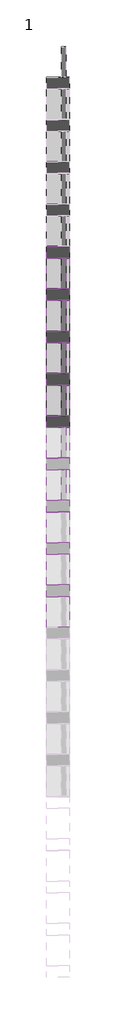
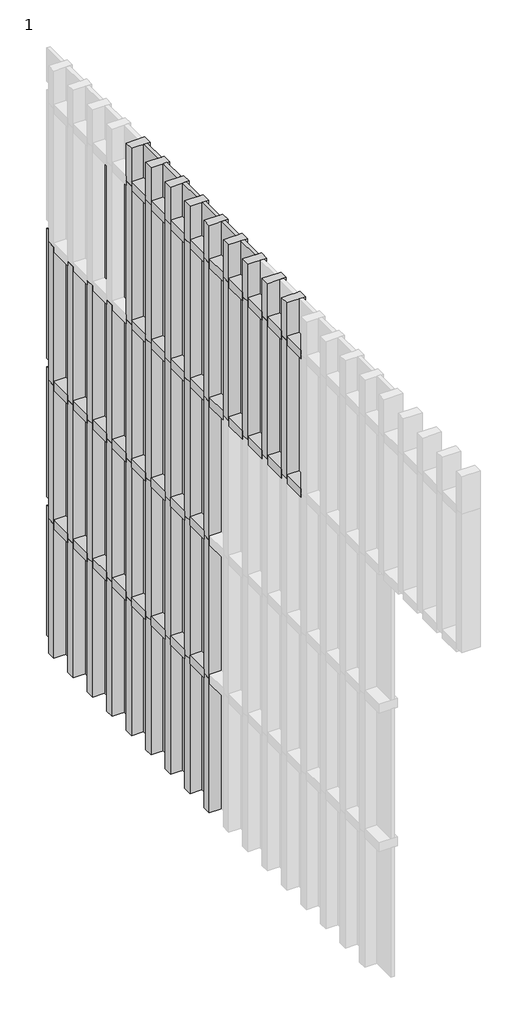
# One storey, part 7 of 40: 79 members, 39 plates.
"""IFC4 building model written with IfcOpenShell, lengths in millimetres."""

import ifcopenshell
import ifcopenshell.guid

model = None  # the IFC model being written
_history = None  # IfcOwnerHistory: only IFC2X3 demands one
_inside = {}  # id of a spatial element -> (the spatial element, [elements in it])
_under = {}  # id of a project, library or spatial element -> (it, [spatial elements below it])
_declared = {}  # id of a project -> (the project, [libraries it declares])
_typed = {}  # id of a type object -> (the type object, [elements of that type])
_made_of = {}  # id of a material, layer set ... -> (it, [elements and type objects made of it])


def new_model(schema):
    """Start an empty IFC model of exactly this schema.

    Asked for "IFC4X3", IfcOpenShell would pick the latest addendum, in which some entities
    have other attributes; the version numbers below select the first issue.
    IFC2X3 requires an IfcOwnerHistory on every rooted entity: one is made here for all.
    """
    global model, _history
    if schema == "IFC4X3":
        model = ifcopenshell.file(schema_version=(4, 3, 0, 0))
    else:
        model = ifcopenshell.file(schema=schema)
    _inside.clear()
    _under.clear()
    _declared.clear()
    _typed.clear()
    _made_of.clear()
    _history = None
    if model.schema == "IFC2X3":
        org = make("IfcOrganization", Name="unknown")
        user = make(
            "IfcPersonAndOrganization",
            ThePerson=make("IfcPerson", FamilyName="unknown"),
            TheOrganization=org,
        )
        app = make(
            "IfcApplication",
            ApplicationDeveloper=org,
            Version="unknown",
            ApplicationFullName="unknown",
            ApplicationIdentifier="unknown",
        )
        _history = make(
            "IfcOwnerHistory",
            OwningUser=user,
            OwningApplication=app,
            ChangeAction="ADDED",
            CreationDate=0,
        )
    return model


def make(cls, **values):
    """One entity of the class cls with the attributes given. An attribute that is None is left unset."""
    return model.create_entity(
        cls, **{name: value for name, value in values.items() if value is not None}
    )


def rooted(cls, **values):
    """An entity with a GlobalId (a new one), such as an element, a storey or a relation."""
    return make(cls, GlobalId=ifcopenshell.guid.new(), OwnerHistory=_history, **values)


def si_unit(unit_type, name, prefix=None):
    """IfcSIUnit, for example si_unit("LENGTHUNIT", "METRE", prefix="MILLI")."""
    return make("IfcSIUnit", UnitType=unit_type, Prefix=prefix, Name=name)


def assignment(units):
    """IfcUnitAssignment: the units of a project."""
    return None if units is None else make("IfcUnitAssignment", Units=units)


def point(xyz):
    """IfcCartesianPoint."""
    return None if xyz is None else make("IfcCartesianPoint", Coordinates=xyz)


def direction(xyz):
    """IfcDirection."""
    return None if xyz is None else make("IfcDirection", DirectionRatios=xyz)


def frame(location, z_axis=None, x_axis=None):
    """IfcAxis2Placement3D, a coordinate frame: its origin and axes. An axis left out is left unset."""
    return make(
        "IfcAxis2Placement3D",
        Location=point(location),
        Axis=direction(z_axis),
        RefDirection=direction(x_axis),
    )


def origin():
    """The frame at (0, 0, 0) with its axes left unset."""
    return frame((0.0, 0.0, 0.0))


def origin_with_axes():
    """The frame at (0, 0, 0) with the z axis (0, 0, 1) and the x axis (1, 0, 0) written out."""
    return frame((0.0, 0.0, 0.0), z_axis=(0.0, 0.0, 1.0), x_axis=(1.0, 0.0, 0.0))


def place(relative_to, where):
    """IfcLocalPlacement: puts the frame where relative to a parent placement (None: the world)."""
    return make(
        "IfcLocalPlacement", PlacementRelTo=relative_to, RelativePlacement=where
    )


def context(
    kind, dimensions, precision=None, world=None, true_north=None, identifier=None
):
    """IfcGeometricRepresentationContext, for example the 3D "Model" context."""
    return make(
        "IfcGeometricRepresentationContext",
        ContextIdentifier=identifier,
        ContextType=kind,
        CoordinateSpaceDimension=dimensions,
        Precision=precision,
        WorldCoordinateSystem=world,
        TrueNorth=true_north,
    )


def project(units=None, contexts=None):
    """IfcProject with its units and contexts."""
    return rooted(
        "IfcProject",
        Name="project",
        RepresentationContexts=contexts,
        UnitsInContext=assignment(units),
    )


def spatial(cls, under=None, at=None, **own):
    """A site, building, storey or space (cls), placed at a placement, below another one or the project."""
    s = rooted(cls, ObjectPlacement=at, **own)
    if under is not None:
        _under.setdefault(under.id(), (under, []))[1].append(s)
    return s


def polyline(points):
    """IfcPolyline through the points."""
    return make("IfcPolyline", Points=[point(p) for p in points])


def outline(outer, holes=None, kind="AREA"):
    """IfcArbitraryClosedProfileDef: a profile drawn as a closed curve; with holes, ...WithVoids."""
    if holes is None:
        return make("IfcArbitraryClosedProfileDef", ProfileType=kind, OuterCurve=outer)
    return make(
        "IfcArbitraryProfileDefWithVoids",
        ProfileType=kind,
        OuterCurve=outer,
        InnerCurves=holes,
    )


def extrude(swept, where, along, depth):
    """IfcExtrudedAreaSolid: the profile swept, set in the frame where, extruded along a direction by depth."""
    return make(
        "IfcExtrudedAreaSolid",
        SweptArea=swept,
        Position=where,
        ExtrudedDirection=direction(along),
        Depth=depth,
    )


def shape(context_of_items, identifier, shape_type, items):
    """IfcShapeRepresentation: the items that make up one representation, for example the "Body"."""
    return make(
        "IfcShapeRepresentation",
        ContextOfItems=context_of_items,
        RepresentationIdentifier=identifier,
        RepresentationType=shape_type,
        Items=items,
    )


def source(mapping_origin, context_of_items, identifier, shape_type, items):
    """IfcRepresentationMap: a shape defined once, which mapped items show again and again."""
    return make(
        "IfcRepresentationMap",
        MappingOrigin=mapping_origin,
        MappedRepresentation=shape(context_of_items, identifier, shape_type, items),
    )


def transform(
    local_origin,
    x_axis=None,
    y_axis=None,
    z_axis=None,
    scale=None,
    scale2=None,
    scale3=None,
    uniform=True,
):
    """IfcCartesianTransformationOperator3D, or its non-uniform kind. x_axis, y_axis, z_axis: its Axis1, 2, 3."""
    if uniform:
        return make(
            "IfcCartesianTransformationOperator3D",
            Axis1=direction(x_axis),
            Axis2=direction(y_axis),
            LocalOrigin=point(local_origin),
            Scale=scale,
            Axis3=direction(z_axis),
        )
    return make(
        "IfcCartesianTransformationOperator3DnonUniform",
        Axis1=direction(x_axis),
        Axis2=direction(y_axis),
        LocalOrigin=point(local_origin),
        Scale=scale,
        Axis3=direction(z_axis),
        Scale2=scale2,
        Scale3=scale3,
    )


def mapped(mapping_source, mapping_target):
    """IfcMappedItem: shows the shape of a source again, moved by a transform."""
    return make(
        "IfcMappedItem", MappingSource=mapping_source, MappingTarget=mapping_target
    )


def made_of(thing, what):
    """Note that an element or type object is made of a material, layer set ...; save() writes the relation."""
    if what is not None:
        _made_of.setdefault(what.id(), (what, []))[1].append(thing)
    return thing


def element(
    cls,
    number,
    at=None,
    inside=None,
    cuts=None,
    type_object=None,
    material=None,
    context=None,
    identifier="Body",
    shape_type=None,
    held_by="IfcProductDefinitionShape",
    body=None,
    shapes=None,
    **own,
):
    """One element of the class cls, such as IfcWall. Its Tag is "e" and its number.

    at: its placement. inside: the storey or other place that contains it. cuts: it is an
    opening in that element (IfcRelVoidsElement). A single representation is given by context,
    identifier, shape_type and body (its items); several are given by shapes. held_by: the class
    of the entity that holds the representations. save() writes the other relations.
    """
    e = rooted(cls, Tag="e%d" % number, ObjectPlacement=at, **own)
    if body is not None:
        shapes = [shape(context, identifier, shape_type, body)]
    if shapes is not None:
        e.Representation = make(held_by, Representations=shapes)
    if inside is not None:
        _inside.setdefault(inside.id(), (inside, []))[1].append(e)
    if cuts is not None:
        rooted(
            "IfcRelVoidsElement", RelatingBuildingElement=cuts, RelatedOpeningElement=e
        )
    if type_object is not None:
        _typed.setdefault(type_object.id(), (type_object, []))[1].append(e)
    return made_of(e, material)


def aggregate(whole, parts):
    """IfcRelAggregates: a whole, such as a stair, and the parts it consists of."""
    return rooted("IfcRelAggregates", RelatingObject=whole, RelatedObjects=parts)


def save(model, path):
    """Write the relations noted so far, then the file.

    IfcRelAggregates (storeys below a building ...), IfcRelContainedInSpatialStructure (elements
    in a storey), IfcRelDefinesByType, IfcRelAssociatesMaterial and IfcRelDeclares: one each for
    every whole, place, type object, material and project.
    """
    for whole, parts in _under.values():
        aggregate(whole, parts)
    for where, things in _inside.values():
        rooted(
            "IfcRelContainedInSpatialStructure",
            RelatedElements=things,
            RelatingStructure=where,
        )
    for kind, things in _typed.values():
        rooted("IfcRelDefinesByType", RelatedObjects=things, RelatingType=kind)
    for what, things in _made_of.values():
        rooted("IfcRelAssociatesMaterial", RelatedObjects=things, RelatingMaterial=what)
    for by, libraries in _declared.values():
        rooted("IfcRelDeclares", RelatingContext=by, RelatedDefinitions=libraries)
    model.write(path)


def rectangular_mullion_rectangular_mullion_1_018ae7aa(model_context):
    return source(origin(), model_context, "Body", "SweptSolid", [
        extrude(outline(polyline([(31.75, 63.5), (31.75, -63.5), (-31.75, -63.5), (-31.75, 63.5), (31.75, 63.5)])), frame((0.0, 0.0, -166.5), z_axis=(0.0, 0.0, 1.0), x_axis=(1.0, 0.0, 0.0)), (0.0, 0.0, 1.0), 166.5),
    ])


def rectangular_mullion_rectangular_mullion_1_43f49249(model_context):
    return source(origin(), model_context, "Body", "SweptSolid", [
        extrude(outline(polyline([(31.75, 63.5), (31.75, -63.5), (-31.75, -63.5), (-31.75, 63.5), (31.75, 63.5)])), frame((0.0, 0.0, -968.25), z_axis=(0.0, 0.0, 1.0), x_axis=(1.0, 0.0, 0.0)), (0.0, 0.0, 1.0), 968.25),
    ])


def rectangular_mullion_rectangular_mullion_1_0daabb75(model_context):
    return source(origin(), model_context, "Body", "SweptSolid", [
        extrude(outline(polyline([(31.75, 63.5), (31.75, -63.5), (-31.75, -63.5), (-31.75, 63.5), (31.75, 63.5)])), frame((0.0, 0.0, -1000.0), z_axis=(0.0, 0.0, 1.0), x_axis=(1.0, 0.0, 0.0)), (0.0, 0.0, 1.0), 1000.0),
    ])


def rectangular_mullion_rectangular_mullion_1_7425881c(model_context):
    return source(origin(), model_context, "Body", "SweptSolid", [
        extrude(outline(polyline([(31.75, 63.5), (31.75, -63.5), (-31.75, -63.5), (-31.75, 63.5), (31.75, 63.5)])), frame((0.0, 0.0, -271.75), z_axis=(0.0, 0.0, 1.0), x_axis=(1.0, 0.0, 0.0)), (0.0, 0.0, 1.0), 271.75),
    ])


def system_panel_glazed_637935cf(model_context):
    return source(origin(), model_context, "Body", "SweptSolid", [
        extrude(outline(polyline([(83.25, -44.45), (-83.25, -44.45), (-83.25, -19.05), (83.25, -19.05), (83.25, -44.45)])), origin_with_axes(), (0.0, 0.0, 1.0), 936.5),
    ])


def system_panel_glazed_3e05323c(model_context):
    return source(origin(), model_context, "Body", "SweptSolid", [
        extrude(outline(polyline([(83.25, -44.45), (-83.25, -44.45), (-83.25, -19.05), (83.25, -19.05), (83.25, -44.45)])), origin_with_axes(), (0.0, 0.0, 1.0), 240.0),
    ])


model = new_model("IFC4")

# Units and contexts
model_context = context("Model", 3, world=origin())
ifc_project = project(units=[si_unit("LENGTHUNIT", "METRE", prefix="MILLI")], contexts=[model_context])

# Site, building, storey
site = spatial("IfcSite", under=ifc_project)
building = spatial("IfcBuilding", under=site)
storey = spatial("IfcBuildingStorey", under=building, Name="1", Elevation=3600.0)

# Members
placement = place(None, origin())
rectangular_mullion_rectangular_mullion_1_shape = rectangular_mullion_rectangular_mullion_1_018ae7aa(model_context)
element("IfcMember", 1, ObjectType="Rectangular Mullion : Rectangular Mullion 1", at=placement, inside=storey, context=model_context, shape_type="MappedRepresentation", body=[
    mapped(rectangular_mullion_rectangular_mullion_1_shape, transform((8762.3871269, -17796.5554662, 3568.25), x_axis=(0.0, 0.0, 1.0), y_axis=(1.0, 0.0, 0.0), z_axis=(0.0, 1.0, 0.0))),
])
element("IfcMember", 2, ObjectType="Rectangular Mullion : Rectangular Mullion 1", at=placement, inside=storey, context=model_context, shape_type="MappedRepresentation", body=[
    mapped(rectangular_mullion_rectangular_mullion_1_shape, transform((8762.3871269, -17566.5554662, 3568.25), x_axis=(0.0, 0.0, 1.0), y_axis=(1.0, 0.0, 0.0), z_axis=(0.0, 1.0, 0.0))),
])
element("IfcMember", 3, ObjectType="Rectangular Mullion : Rectangular Mullion 1", at=placement, inside=storey, context=model_context, shape_type="MappedRepresentation", body=[
    mapped(rectangular_mullion_rectangular_mullion_1_shape, transform((8762.3871269, -17336.5554662, 3568.25), x_axis=(0.0, 0.0, 1.0), y_axis=(1.0, 0.0, 0.0), z_axis=(0.0, 1.0, 0.0))),
])
element("IfcMember", 4, ObjectType="Rectangular Mullion : Rectangular Mullion 1", at=placement, inside=storey, context=model_context, shape_type="MappedRepresentation", body=[
    mapped(rectangular_mullion_rectangular_mullion_1_shape, transform((8762.3871269, -17106.5554662, 3568.25), x_axis=(0.0, 0.0, 1.0), y_axis=(1.0, 0.0, 0.0), z_axis=(0.0, 1.0, 0.0))),
])
element("IfcMember", 5, ObjectType="Rectangular Mullion : Rectangular Mullion 1", at=placement, inside=storey, context=model_context, shape_type="MappedRepresentation", body=[
    mapped(rectangular_mullion_rectangular_mullion_1_shape, transform((8762.3871269, -16876.5554662, 3568.25), x_axis=(0.0, 0.0, 1.0), y_axis=(1.0, 0.0, 0.0), z_axis=(0.0, 1.0, 0.0))),
])
element("IfcMember", 6, ObjectType="Rectangular Mullion : Rectangular Mullion 1", at=placement, inside=storey, context=model_context, shape_type="MappedRepresentation", body=[
    mapped(rectangular_mullion_rectangular_mullion_1_shape, transform((8762.3871269, -16646.5554662, 3568.25), x_axis=(0.0, 0.0, 1.0), y_axis=(1.0, 0.0, 0.0), z_axis=(0.0, 1.0, 0.0))),
])
element("IfcMember", 7, ObjectType="Rectangular Mullion : Rectangular Mullion 1", at=placement, inside=storey, context=model_context, shape_type="MappedRepresentation", body=[
    mapped(rectangular_mullion_rectangular_mullion_1_shape, transform((8762.3871269, -16416.5554662, 3568.25), x_axis=(0.0, 0.0, 1.0), y_axis=(1.0, 0.0, 0.0), z_axis=(0.0, 1.0, 0.0))),
])
element("IfcMember", 8, ObjectType="Rectangular Mullion : Rectangular Mullion 1", at=placement, inside=storey, context=model_context, shape_type="MappedRepresentation", body=[
    mapped(rectangular_mullion_rectangular_mullion_1_shape, transform((8762.3871269, -16186.5554662, 3568.25), x_axis=(0.0, 0.0, 1.0), y_axis=(1.0, 0.0, 0.0), z_axis=(0.0, 1.0, 0.0))),
])
element("IfcMember", 9, ObjectType="Rectangular Mullion : Rectangular Mullion 1", at=placement, inside=storey, context=model_context, shape_type="MappedRepresentation", body=[
    mapped(rectangular_mullion_rectangular_mullion_1_shape, transform((8762.3871269, -17796.5554662, 4568.25), x_axis=(0.0, 0.0, 1.0), y_axis=(1.0, 0.0, 0.0), z_axis=(0.0, 1.0, 0.0))),
])
element("IfcMember", 10, ObjectType="Rectangular Mullion : Rectangular Mullion 1", at=placement, inside=storey, context=model_context, shape_type="MappedRepresentation", body=[
    mapped(rectangular_mullion_rectangular_mullion_1_shape, transform((8762.3871269, -17566.5554662, 4568.25), x_axis=(0.0, 0.0, 1.0), y_axis=(1.0, 0.0, 0.0), z_axis=(0.0, 1.0, 0.0))),
])
element("IfcMember", 11, ObjectType="Rectangular Mullion : Rectangular Mullion 1", at=placement, inside=storey, context=model_context, shape_type="MappedRepresentation", body=[
    mapped(rectangular_mullion_rectangular_mullion_1_shape, transform((8762.3871269, -17336.5554662, 4568.25), x_axis=(0.0, 0.0, 1.0), y_axis=(1.0, 0.0, 0.0), z_axis=(0.0, 1.0, 0.0))),
])
element("IfcMember", 12, ObjectType="Rectangular Mullion : Rectangular Mullion 1", at=placement, inside=storey, context=model_context, shape_type="MappedRepresentation", body=[
    mapped(rectangular_mullion_rectangular_mullion_1_shape, transform((8762.3871269, -17106.5554662, 4568.25), x_axis=(0.0, 0.0, 1.0), y_axis=(1.0, 0.0, 0.0), z_axis=(0.0, 1.0, 0.0))),
])
element("IfcMember", 13, ObjectType="Rectangular Mullion : Rectangular Mullion 1", at=placement, inside=storey, context=model_context, shape_type="MappedRepresentation", body=[
    mapped(rectangular_mullion_rectangular_mullion_1_shape, transform((8762.3871269, -16876.5554662, 4568.25), x_axis=(0.0, 0.0, 1.0), y_axis=(1.0, 0.0, 0.0), z_axis=(0.0, 1.0, 0.0))),
])
element("IfcMember", 14, ObjectType="Rectangular Mullion : Rectangular Mullion 1", at=placement, inside=storey, context=model_context, shape_type="MappedRepresentation", body=[
    mapped(rectangular_mullion_rectangular_mullion_1_shape, transform((8762.3871269, -16646.5554662, 4568.25), x_axis=(0.0, 0.0, 1.0), y_axis=(1.0, 0.0, 0.0), z_axis=(0.0, 1.0, 0.0))),
])
element("IfcMember", 15, ObjectType="Rectangular Mullion : Rectangular Mullion 1", at=placement, inside=storey, context=model_context, shape_type="MappedRepresentation", body=[
    mapped(rectangular_mullion_rectangular_mullion_1_shape, transform((8762.3871269, -16416.5554662, 4568.25), x_axis=(0.0, 0.0, 1.0), y_axis=(1.0, 0.0, 0.0), z_axis=(0.0, 1.0, 0.0))),
])
element("IfcMember", 16, ObjectType="Rectangular Mullion : Rectangular Mullion 1", at=placement, inside=storey, context=model_context, shape_type="MappedRepresentation", body=[
    mapped(rectangular_mullion_rectangular_mullion_1_shape, transform((8762.3871269, -16186.5554662, 4568.25), x_axis=(0.0, 0.0, 1.0), y_axis=(1.0, 0.0, 0.0), z_axis=(0.0, 1.0, 0.0))),
])
element("IfcMember", 17, ObjectType="Rectangular Mullion : Rectangular Mullion 1", at=placement, inside=storey, context=model_context, shape_type="MappedRepresentation", body=[
    mapped(rectangular_mullion_rectangular_mullion_1_shape, transform((8762.3871269, -18946.5554662, 5568.25), x_axis=(0.0, 0.0, 1.0), y_axis=(1.0, 0.0, 0.0), z_axis=(0.0, 1.0, 0.0))),
])
element("IfcMember", 18, ObjectType="Rectangular Mullion : Rectangular Mullion 1", at=placement, inside=storey, context=model_context, shape_type="MappedRepresentation", body=[
    mapped(rectangular_mullion_rectangular_mullion_1_shape, transform((8762.3871269, -18716.5554662, 5568.25), x_axis=(0.0, 0.0, 1.0), y_axis=(1.0, 0.0, 0.0), z_axis=(0.0, 1.0, 0.0))),
])
element("IfcMember", 19, ObjectType="Rectangular Mullion : Rectangular Mullion 1", at=placement, inside=storey, context=model_context, shape_type="MappedRepresentation", body=[
    mapped(rectangular_mullion_rectangular_mullion_1_shape, transform((8762.3871269, -18486.5554662, 5568.25), x_axis=(0.0, 0.0, 1.0), y_axis=(1.0, 0.0, 0.0), z_axis=(0.0, 1.0, 0.0))),
])
element("IfcMember", 20, ObjectType="Rectangular Mullion : Rectangular Mullion 1", at=placement, inside=storey, context=model_context, shape_type="MappedRepresentation", body=[
    mapped(rectangular_mullion_rectangular_mullion_1_shape, transform((8762.3871269, -18256.5554662, 5568.25), x_axis=(0.0, 0.0, 1.0), y_axis=(1.0, 0.0, 0.0), z_axis=(0.0, 1.0, 0.0))),
])
element("IfcMember", 21, ObjectType="Rectangular Mullion : Rectangular Mullion 1", at=placement, inside=storey, context=model_context, shape_type="MappedRepresentation", body=[
    mapped(rectangular_mullion_rectangular_mullion_1_shape, transform((8762.3871269, -18026.5554662, 5568.25), x_axis=(0.0, 0.0, 1.0), y_axis=(1.0, 0.0, 0.0), z_axis=(0.0, 1.0, 0.0))),
])
element("IfcMember", 22, ObjectType="Rectangular Mullion : Rectangular Mullion 1", at=placement, inside=storey, context=model_context, shape_type="MappedRepresentation", body=[
    mapped(rectangular_mullion_rectangular_mullion_1_shape, transform((8762.3871269, -17796.5554662, 5568.25), x_axis=(0.0, 0.0, 1.0), y_axis=(1.0, 0.0, 0.0), z_axis=(0.0, 1.0, 0.0))),
])
element("IfcMember", 23, ObjectType="Rectangular Mullion : Rectangular Mullion 1", at=placement, inside=storey, context=model_context, shape_type="MappedRepresentation", body=[
    mapped(rectangular_mullion_rectangular_mullion_1_shape, transform((8762.3871269, -17566.5554662, 5568.25), x_axis=(0.0, 0.0, 1.0), y_axis=(1.0, 0.0, 0.0), z_axis=(0.0, 1.0, 0.0))),
])
element("IfcMember", 24, ObjectType="Rectangular Mullion : Rectangular Mullion 1", at=placement, inside=storey, context=model_context, shape_type="MappedRepresentation", body=[
    mapped(rectangular_mullion_rectangular_mullion_1_shape, transform((8762.3871269, -17336.5554662, 5568.25), x_axis=(0.0, 0.0, 1.0), y_axis=(1.0, 0.0, 0.0), z_axis=(0.0, 1.0, 0.0))),
])
element("IfcMember", 25, ObjectType="Rectangular Mullion : Rectangular Mullion 1", at=placement, inside=storey, context=model_context, shape_type="MappedRepresentation", body=[
    mapped(rectangular_mullion_rectangular_mullion_1_shape, transform((8762.3871269, -17106.5554662, 5568.25), x_axis=(0.0, 0.0, 1.0), y_axis=(1.0, 0.0, 0.0), z_axis=(0.0, 1.0, 0.0))),
])
element("IfcMember", 26, ObjectType="Rectangular Mullion : Rectangular Mullion 1", at=placement, inside=storey, context=model_context, shape_type="MappedRepresentation", body=[
    mapped(rectangular_mullion_rectangular_mullion_1_shape, transform((8762.3871269, -18946.5554662, 6568.25), x_axis=(0.0, 0.0, 1.0), y_axis=(1.0, 0.0, 0.0), z_axis=(0.0, 1.0, 0.0))),
])
element("IfcMember", 27, ObjectType="Rectangular Mullion : Rectangular Mullion 1", at=placement, inside=storey, context=model_context, shape_type="MappedRepresentation", body=[
    mapped(rectangular_mullion_rectangular_mullion_1_shape, transform((8762.3871269, -18716.5554662, 6568.25), x_axis=(0.0, 0.0, 1.0), y_axis=(1.0, 0.0, 0.0), z_axis=(0.0, 1.0, 0.0))),
])
element("IfcMember", 28, ObjectType="Rectangular Mullion : Rectangular Mullion 1", at=placement, inside=storey, context=model_context, shape_type="MappedRepresentation", body=[
    mapped(rectangular_mullion_rectangular_mullion_1_shape, transform((8762.3871269, -18486.5554662, 6568.25), x_axis=(0.0, 0.0, 1.0), y_axis=(1.0, 0.0, 0.0), z_axis=(0.0, 1.0, 0.0))),
])
element("IfcMember", 29, ObjectType="Rectangular Mullion : Rectangular Mullion 1", at=placement, inside=storey, context=model_context, shape_type="MappedRepresentation", body=[
    mapped(rectangular_mullion_rectangular_mullion_1_shape, transform((8762.3871269, -18256.5554662, 6568.25), x_axis=(0.0, 0.0, 1.0), y_axis=(1.0, 0.0, 0.0), z_axis=(0.0, 1.0, 0.0))),
])
element("IfcMember", 30, ObjectType="Rectangular Mullion : Rectangular Mullion 1", at=placement, inside=storey, context=model_context, shape_type="MappedRepresentation", body=[
    mapped(rectangular_mullion_rectangular_mullion_1_shape, transform((8762.3871269, -18026.5554662, 6568.25), x_axis=(0.0, 0.0, 1.0), y_axis=(1.0, 0.0, 0.0), z_axis=(0.0, 1.0, 0.0))),
])
element("IfcMember", 31, ObjectType="Rectangular Mullion : Rectangular Mullion 1", at=placement, inside=storey, context=model_context, shape_type="MappedRepresentation", body=[
    mapped(rectangular_mullion_rectangular_mullion_1_shape, transform((8762.3871269, -17796.5554662, 6568.25), x_axis=(0.0, 0.0, 1.0), y_axis=(1.0, 0.0, 0.0), z_axis=(0.0, 1.0, 0.0))),
])
element("IfcMember", 32, ObjectType="Rectangular Mullion : Rectangular Mullion 1", at=placement, inside=storey, context=model_context, shape_type="MappedRepresentation", body=[
    mapped(rectangular_mullion_rectangular_mullion_1_shape, transform((8762.3871269, -17566.5554662, 6568.25), x_axis=(0.0, 0.0, 1.0), y_axis=(1.0, 0.0, 0.0), z_axis=(0.0, 1.0, 0.0))),
])
element("IfcMember", 33, ObjectType="Rectangular Mullion : Rectangular Mullion 1", at=placement, inside=storey, context=model_context, shape_type="MappedRepresentation", body=[
    mapped(rectangular_mullion_rectangular_mullion_1_shape, transform((8762.3871269, -17336.5554662, 6568.25), x_axis=(0.0, 0.0, 1.0), y_axis=(1.0, 0.0, 0.0), z_axis=(0.0, 1.0, 0.0))),
])
element("IfcMember", 34, ObjectType="Rectangular Mullion : Rectangular Mullion 1", at=placement, inside=storey, context=model_context, shape_type="MappedRepresentation", body=[
    mapped(rectangular_mullion_rectangular_mullion_1_shape, transform((8762.3871269, -17106.5554662, 6568.25), x_axis=(0.0, 0.0, 1.0), y_axis=(1.0, 0.0, 0.0), z_axis=(0.0, 1.0, 0.0))),
])
rectangular_mullion_rectangular_mullion_1_2_shape = rectangular_mullion_rectangular_mullion_1_43f49249(model_context)
element("IfcMember", 35, ObjectType="Rectangular Mullion : Rectangular Mullion 1", at=placement, inside=storey, context=model_context, shape_type="MappedRepresentation", body=[
    mapped(rectangular_mullion_rectangular_mullion_1_2_shape, transform((8762.3871269, -17994.8054662, 2600.0), x_axis=(0.0, 1.0, 0.0), y_axis=(1.0, 0.0, 0.0), z_axis=(0.0, 0.0, -1.0))),
])
element("IfcMember", 36, ObjectType="Rectangular Mullion : Rectangular Mullion 1", at=placement, inside=storey, context=model_context, shape_type="MappedRepresentation", body=[
    mapped(rectangular_mullion_rectangular_mullion_1_2_shape, transform((8762.3871269, -17764.8054662, 2600.0), x_axis=(0.0, 1.0, 0.0), y_axis=(1.0, 0.0, 0.0), z_axis=(0.0, 0.0, -1.0))),
])
element("IfcMember", 37, ObjectType="Rectangular Mullion : Rectangular Mullion 1", at=placement, inside=storey, context=model_context, shape_type="MappedRepresentation", body=[
    mapped(rectangular_mullion_rectangular_mullion_1_2_shape, transform((8762.3871269, -17534.8054662, 2600.0), x_axis=(0.0, 1.0, 0.0), y_axis=(1.0, 0.0, 0.0), z_axis=(0.0, 0.0, -1.0))),
])
element("IfcMember", 38, ObjectType="Rectangular Mullion : Rectangular Mullion 1", at=placement, inside=storey, context=model_context, shape_type="MappedRepresentation", body=[
    mapped(rectangular_mullion_rectangular_mullion_1_2_shape, transform((8762.3871269, -17304.8054662, 2600.0), x_axis=(0.0, 1.0, 0.0), y_axis=(1.0, 0.0, 0.0), z_axis=(0.0, 0.0, -1.0))),
])
element("IfcMember", 39, ObjectType="Rectangular Mullion : Rectangular Mullion 1", at=placement, inside=storey, context=model_context, shape_type="MappedRepresentation", body=[
    mapped(rectangular_mullion_rectangular_mullion_1_2_shape, transform((8762.3871269, -17074.8054662, 2600.0), x_axis=(0.0, 1.0, 0.0), y_axis=(1.0, 0.0, 0.0), z_axis=(0.0, 0.0, -1.0))),
])
element("IfcMember", 40, ObjectType="Rectangular Mullion : Rectangular Mullion 1", at=placement, inside=storey, context=model_context, shape_type="MappedRepresentation", body=[
    mapped(rectangular_mullion_rectangular_mullion_1_2_shape, transform((8762.3871269, -16844.8054662, 2600.0), x_axis=(0.0, 1.0, 0.0), y_axis=(1.0, 0.0, 0.0), z_axis=(0.0, 0.0, -1.0))),
])
element("IfcMember", 41, ObjectType="Rectangular Mullion : Rectangular Mullion 1", at=placement, inside=storey, context=model_context, shape_type="MappedRepresentation", body=[
    mapped(rectangular_mullion_rectangular_mullion_1_2_shape, transform((8762.3871269, -16614.8054662, 2600.0), x_axis=(0.0, 1.0, 0.0), y_axis=(1.0, 0.0, 0.0), z_axis=(0.0, 0.0, -1.0))),
])
element("IfcMember", 42, ObjectType="Rectangular Mullion : Rectangular Mullion 1", at=placement, inside=storey, context=model_context, shape_type="MappedRepresentation", body=[
    mapped(rectangular_mullion_rectangular_mullion_1_2_shape, transform((8762.3871269, -16384.8054662, 2600.0), x_axis=(0.0, 1.0, 0.0), y_axis=(1.0, 0.0, 0.0), z_axis=(0.0, 0.0, -1.0))),
])
element("IfcMember", 43, ObjectType="Rectangular Mullion : Rectangular Mullion 1", at=placement, inside=storey, context=model_context, shape_type="MappedRepresentation", body=[
    mapped(rectangular_mullion_rectangular_mullion_1_2_shape, transform((8762.3871269, -16154.8054662, 2600.0), x_axis=(0.0, 1.0, 0.0), y_axis=(1.0, 0.0, 0.0), z_axis=(0.0, 0.0, -1.0))),
])
rectangular_mullion_rectangular_mullion_1_3_shape = rectangular_mullion_rectangular_mullion_1_0daabb75(model_context)
element("IfcMember", 44, ObjectType="Rectangular Mullion : Rectangular Mullion 1", at=placement, inside=storey, context=model_context, shape_type="MappedRepresentation", body=[
    mapped(rectangular_mullion_rectangular_mullion_1_3_shape, transform((8762.3871269, -17994.8054662, 3568.25), x_axis=(0.0, 1.0, 0.0), y_axis=(1.0, 0.0, 0.0), z_axis=(0.0, 0.0, -1.0))),
])
element("IfcMember", 45, ObjectType="Rectangular Mullion : Rectangular Mullion 1", at=placement, inside=storey, context=model_context, shape_type="MappedRepresentation", body=[
    mapped(rectangular_mullion_rectangular_mullion_1_3_shape, transform((8762.3871269, -17764.8054662, 3568.25), x_axis=(0.0, 1.0, 0.0), y_axis=(1.0, 0.0, 0.0), z_axis=(0.0, 0.0, -1.0))),
])
element("IfcMember", 46, ObjectType="Rectangular Mullion : Rectangular Mullion 1", at=placement, inside=storey, context=model_context, shape_type="MappedRepresentation", body=[
    mapped(rectangular_mullion_rectangular_mullion_1_3_shape, transform((8762.3871269, -17534.8054662, 3568.25), x_axis=(0.0, 1.0, 0.0), y_axis=(1.0, 0.0, 0.0), z_axis=(0.0, 0.0, -1.0))),
])
element("IfcMember", 47, ObjectType="Rectangular Mullion : Rectangular Mullion 1", at=placement, inside=storey, context=model_context, shape_type="MappedRepresentation", body=[
    mapped(rectangular_mullion_rectangular_mullion_1_3_shape, transform((8762.3871269, -17304.8054662, 3568.25), x_axis=(0.0, 1.0, 0.0), y_axis=(1.0, 0.0, 0.0), z_axis=(0.0, 0.0, -1.0))),
])
element("IfcMember", 48, ObjectType="Rectangular Mullion : Rectangular Mullion 1", at=placement, inside=storey, context=model_context, shape_type="MappedRepresentation", body=[
    mapped(rectangular_mullion_rectangular_mullion_1_3_shape, transform((8762.3871269, -17074.8054662, 3568.25), x_axis=(0.0, 1.0, 0.0), y_axis=(1.0, 0.0, 0.0), z_axis=(0.0, 0.0, -1.0))),
])
element("IfcMember", 49, ObjectType="Rectangular Mullion : Rectangular Mullion 1", at=placement, inside=storey, context=model_context, shape_type="MappedRepresentation", body=[
    mapped(rectangular_mullion_rectangular_mullion_1_3_shape, transform((8762.3871269, -16844.8054662, 3568.25), x_axis=(0.0, 1.0, 0.0), y_axis=(1.0, 0.0, 0.0), z_axis=(0.0, 0.0, -1.0))),
])
element("IfcMember", 50, ObjectType="Rectangular Mullion : Rectangular Mullion 1", at=placement, inside=storey, context=model_context, shape_type="MappedRepresentation", body=[
    mapped(rectangular_mullion_rectangular_mullion_1_3_shape, transform((8762.3871269, -16614.8054662, 3568.25), x_axis=(0.0, 1.0, 0.0), y_axis=(1.0, 0.0, 0.0), z_axis=(0.0, 0.0, -1.0))),
])
element("IfcMember", 51, ObjectType="Rectangular Mullion : Rectangular Mullion 1", at=placement, inside=storey, context=model_context, shape_type="MappedRepresentation", body=[
    mapped(rectangular_mullion_rectangular_mullion_1_3_shape, transform((8762.3871269, -16384.8054662, 3568.25), x_axis=(0.0, 1.0, 0.0), y_axis=(1.0, 0.0, 0.0), z_axis=(0.0, 0.0, -1.0))),
])
element("IfcMember", 52, ObjectType="Rectangular Mullion : Rectangular Mullion 1", at=placement, inside=storey, context=model_context, shape_type="MappedRepresentation", body=[
    mapped(rectangular_mullion_rectangular_mullion_1_3_shape, transform((8762.3871269, -16154.8054662, 3568.25), x_axis=(0.0, 1.0, 0.0), y_axis=(1.0, 0.0, 0.0), z_axis=(0.0, 0.0, -1.0))),
])
element("IfcMember", 53, ObjectType="Rectangular Mullion : Rectangular Mullion 1", at=placement, inside=storey, context=model_context, shape_type="MappedRepresentation", body=[
    mapped(rectangular_mullion_rectangular_mullion_1_3_shape, transform((8762.3871269, -17994.8054662, 4568.25), x_axis=(0.0, 1.0, 0.0), y_axis=(1.0, 0.0, 0.0), z_axis=(0.0, 0.0, -1.0))),
])
element("IfcMember", 54, ObjectType="Rectangular Mullion : Rectangular Mullion 1", at=placement, inside=storey, context=model_context, shape_type="MappedRepresentation", body=[
    mapped(rectangular_mullion_rectangular_mullion_1_3_shape, transform((8762.3871269, -17764.8054662, 4568.25), x_axis=(0.0, 1.0, 0.0), y_axis=(1.0, 0.0, 0.0), z_axis=(0.0, 0.0, -1.0))),
])
element("IfcMember", 55, ObjectType="Rectangular Mullion : Rectangular Mullion 1", at=placement, inside=storey, context=model_context, shape_type="MappedRepresentation", body=[
    mapped(rectangular_mullion_rectangular_mullion_1_3_shape, transform((8762.3871269, -17534.8054662, 4568.25), x_axis=(0.0, 1.0, 0.0), y_axis=(1.0, 0.0, 0.0), z_axis=(0.0, 0.0, -1.0))),
])
element("IfcMember", 56, ObjectType="Rectangular Mullion : Rectangular Mullion 1", at=placement, inside=storey, context=model_context, shape_type="MappedRepresentation", body=[
    mapped(rectangular_mullion_rectangular_mullion_1_3_shape, transform((8762.3871269, -17304.8054662, 4568.25), x_axis=(0.0, 1.0, 0.0), y_axis=(1.0, 0.0, 0.0), z_axis=(0.0, 0.0, -1.0))),
])
element("IfcMember", 57, ObjectType="Rectangular Mullion : Rectangular Mullion 1", at=placement, inside=storey, context=model_context, shape_type="MappedRepresentation", body=[
    mapped(rectangular_mullion_rectangular_mullion_1_3_shape, transform((8762.3871269, -17074.8054662, 4568.25), x_axis=(0.0, 1.0, 0.0), y_axis=(1.0, 0.0, 0.0), z_axis=(0.0, 0.0, -1.0))),
])
element("IfcMember", 58, ObjectType="Rectangular Mullion : Rectangular Mullion 1", at=placement, inside=storey, context=model_context, shape_type="MappedRepresentation", body=[
    mapped(rectangular_mullion_rectangular_mullion_1_3_shape, transform((8762.3871269, -16844.8054662, 4568.25), x_axis=(0.0, 1.0, 0.0), y_axis=(1.0, 0.0, 0.0), z_axis=(0.0, 0.0, -1.0))),
])
element("IfcMember", 59, ObjectType="Rectangular Mullion : Rectangular Mullion 1", at=placement, inside=storey, context=model_context, shape_type="MappedRepresentation", body=[
    mapped(rectangular_mullion_rectangular_mullion_1_3_shape, transform((8762.3871269, -16614.8054662, 4568.25), x_axis=(0.0, 1.0, 0.0), y_axis=(1.0, 0.0, 0.0), z_axis=(0.0, 0.0, -1.0))),
])
element("IfcMember", 60, ObjectType="Rectangular Mullion : Rectangular Mullion 1", at=placement, inside=storey, context=model_context, shape_type="MappedRepresentation", body=[
    mapped(rectangular_mullion_rectangular_mullion_1_3_shape, transform((8762.3871269, -16384.8054662, 4568.25), x_axis=(0.0, 1.0, 0.0), y_axis=(1.0, 0.0, 0.0), z_axis=(0.0, 0.0, -1.0))),
])
element("IfcMember", 61, ObjectType="Rectangular Mullion : Rectangular Mullion 1", at=placement, inside=storey, context=model_context, shape_type="MappedRepresentation", body=[
    mapped(rectangular_mullion_rectangular_mullion_1_3_shape, transform((8762.3871269, -16154.8054662, 4568.25), x_axis=(0.0, 1.0, 0.0), y_axis=(1.0, 0.0, 0.0), z_axis=(0.0, 0.0, -1.0))),
])
element("IfcMember", 62, ObjectType="Rectangular Mullion : Rectangular Mullion 1", at=placement, inside=storey, context=model_context, shape_type="MappedRepresentation", body=[
    mapped(rectangular_mullion_rectangular_mullion_1_3_shape, transform((8762.3871269, -18914.8054662, 5568.25), x_axis=(0.0, 1.0, 0.0), y_axis=(1.0, 0.0, 0.0), z_axis=(0.0, 0.0, -1.0))),
])
element("IfcMember", 63, ObjectType="Rectangular Mullion : Rectangular Mullion 1", at=placement, inside=storey, context=model_context, shape_type="MappedRepresentation", body=[
    mapped(rectangular_mullion_rectangular_mullion_1_3_shape, transform((8762.3871269, -18684.8054662, 5568.25), x_axis=(0.0, 1.0, 0.0), y_axis=(1.0, 0.0, 0.0), z_axis=(0.0, 0.0, -1.0))),
])
element("IfcMember", 64, ObjectType="Rectangular Mullion : Rectangular Mullion 1", at=placement, inside=storey, context=model_context, shape_type="MappedRepresentation", body=[
    mapped(rectangular_mullion_rectangular_mullion_1_3_shape, transform((8762.3871269, -18454.8054662, 5568.25), x_axis=(0.0, 1.0, 0.0), y_axis=(1.0, 0.0, 0.0), z_axis=(0.0, 0.0, -1.0))),
])
element("IfcMember", 65, ObjectType="Rectangular Mullion : Rectangular Mullion 1", at=placement, inside=storey, context=model_context, shape_type="MappedRepresentation", body=[
    mapped(rectangular_mullion_rectangular_mullion_1_3_shape, transform((8762.3871269, -18224.8054662, 5568.25), x_axis=(0.0, 1.0, 0.0), y_axis=(1.0, 0.0, 0.0), z_axis=(0.0, 0.0, -1.0))),
])
element("IfcMember", 66, ObjectType="Rectangular Mullion : Rectangular Mullion 1", at=placement, inside=storey, context=model_context, shape_type="MappedRepresentation", body=[
    mapped(rectangular_mullion_rectangular_mullion_1_3_shape, transform((8762.3871269, -17994.8054662, 5568.25), x_axis=(0.0, 1.0, 0.0), y_axis=(1.0, 0.0, 0.0), z_axis=(0.0, 0.0, -1.0))),
])
element("IfcMember", 67, ObjectType="Rectangular Mullion : Rectangular Mullion 1", at=placement, inside=storey, context=model_context, shape_type="MappedRepresentation", body=[
    mapped(rectangular_mullion_rectangular_mullion_1_3_shape, transform((8762.3871269, -17764.8054662, 5568.25), x_axis=(0.0, 1.0, 0.0), y_axis=(1.0, 0.0, 0.0), z_axis=(0.0, 0.0, -1.0))),
])
element("IfcMember", 68, ObjectType="Rectangular Mullion : Rectangular Mullion 1", at=placement, inside=storey, context=model_context, shape_type="MappedRepresentation", body=[
    mapped(rectangular_mullion_rectangular_mullion_1_3_shape, transform((8762.3871269, -17534.8054662, 5568.25), x_axis=(0.0, 1.0, 0.0), y_axis=(1.0, 0.0, 0.0), z_axis=(0.0, 0.0, -1.0))),
])
element("IfcMember", 69, ObjectType="Rectangular Mullion : Rectangular Mullion 1", at=placement, inside=storey, context=model_context, shape_type="MappedRepresentation", body=[
    mapped(rectangular_mullion_rectangular_mullion_1_3_shape, transform((8762.3871269, -17304.8054662, 5568.25), x_axis=(0.0, 1.0, 0.0), y_axis=(1.0, 0.0, 0.0), z_axis=(0.0, 0.0, -1.0))),
])
element("IfcMember", 70, ObjectType="Rectangular Mullion : Rectangular Mullion 1", at=placement, inside=storey, context=model_context, shape_type="MappedRepresentation", body=[
    mapped(rectangular_mullion_rectangular_mullion_1_3_shape, transform((8762.3871269, -17074.8054662, 5568.25), x_axis=(0.0, 1.0, 0.0), y_axis=(1.0, 0.0, 0.0), z_axis=(0.0, 0.0, -1.0))),
])
rectangular_mullion_rectangular_mullion_1_4_shape = rectangular_mullion_rectangular_mullion_1_7425881c(model_context)
element("IfcMember", 71, ObjectType="Rectangular Mullion : Rectangular Mullion 1", at=placement, inside=storey, context=model_context, shape_type="MappedRepresentation", body=[
    mapped(rectangular_mullion_rectangular_mullion_1_4_shape, transform((8762.3871269, -18914.8054662, 6568.25), x_axis=(0.0, 1.0, 0.0), y_axis=(1.0, 0.0, 0.0), z_axis=(0.0, 0.0, -1.0))),
])
element("IfcMember", 72, ObjectType="Rectangular Mullion : Rectangular Mullion 1", at=placement, inside=storey, context=model_context, shape_type="MappedRepresentation", body=[
    mapped(rectangular_mullion_rectangular_mullion_1_4_shape, transform((8762.3871269, -18684.8054662, 6568.25), x_axis=(0.0, 1.0, 0.0), y_axis=(1.0, 0.0, 0.0), z_axis=(0.0, 0.0, -1.0))),
])
element("IfcMember", 73, ObjectType="Rectangular Mullion : Rectangular Mullion 1", at=placement, inside=storey, context=model_context, shape_type="MappedRepresentation", body=[
    mapped(rectangular_mullion_rectangular_mullion_1_4_shape, transform((8762.3871269, -18454.8054662, 6568.25), x_axis=(0.0, 1.0, 0.0), y_axis=(1.0, 0.0, 0.0), z_axis=(0.0, 0.0, -1.0))),
])
element("IfcMember", 74, ObjectType="Rectangular Mullion : Rectangular Mullion 1", at=placement, inside=storey, context=model_context, shape_type="MappedRepresentation", body=[
    mapped(rectangular_mullion_rectangular_mullion_1_4_shape, transform((8762.3871269, -18224.8054662, 6568.25), x_axis=(0.0, 1.0, 0.0), y_axis=(1.0, 0.0, 0.0), z_axis=(0.0, 0.0, -1.0))),
])
element("IfcMember", 75, ObjectType="Rectangular Mullion : Rectangular Mullion 1", at=placement, inside=storey, context=model_context, shape_type="MappedRepresentation", body=[
    mapped(rectangular_mullion_rectangular_mullion_1_4_shape, transform((8762.3871269, -17994.8054662, 6568.25), x_axis=(0.0, 1.0, 0.0), y_axis=(1.0, 0.0, 0.0), z_axis=(0.0, 0.0, -1.0))),
])
element("IfcMember", 76, ObjectType="Rectangular Mullion : Rectangular Mullion 1", at=placement, inside=storey, context=model_context, shape_type="MappedRepresentation", body=[
    mapped(rectangular_mullion_rectangular_mullion_1_4_shape, transform((8762.3871269, -17764.8054662, 6568.25), x_axis=(0.0, 1.0, 0.0), y_axis=(1.0, 0.0, 0.0), z_axis=(0.0, 0.0, -1.0))),
])
element("IfcMember", 77, ObjectType="Rectangular Mullion : Rectangular Mullion 1", at=placement, inside=storey, context=model_context, shape_type="MappedRepresentation", body=[
    mapped(rectangular_mullion_rectangular_mullion_1_4_shape, transform((8762.3871269, -17534.8054662, 6568.25), x_axis=(0.0, 1.0, 0.0), y_axis=(1.0, 0.0, 0.0), z_axis=(0.0, 0.0, -1.0))),
])
element("IfcMember", 78, ObjectType="Rectangular Mullion : Rectangular Mullion 1", at=placement, inside=storey, context=model_context, shape_type="MappedRepresentation", body=[
    mapped(rectangular_mullion_rectangular_mullion_1_4_shape, transform((8762.3871269, -17304.8054662, 6568.25), x_axis=(0.0, 1.0, 0.0), y_axis=(1.0, 0.0, 0.0), z_axis=(0.0, 0.0, -1.0))),
])
element("IfcMember", 79, ObjectType="Rectangular Mullion : Rectangular Mullion 1", at=placement, inside=storey, context=model_context, shape_type="MappedRepresentation", body=[
    mapped(rectangular_mullion_rectangular_mullion_1_4_shape, transform((8762.3871269, -17074.8054662, 6568.25), x_axis=(0.0, 1.0, 0.0), y_axis=(1.0, 0.0, 0.0), z_axis=(0.0, 0.0, -1.0))),
])

# Plates
system_panel_glazed_shape = system_panel_glazed_637935cf(model_context)
element("IfcPlate", 80, ObjectType="System Panel : Glazed", at=placement, inside=storey, context=model_context, shape_type="MappedRepresentation", body=[
    mapped(system_panel_glazed_shape, transform((8762.3871269, -17879.8054662, 2600.0), x_axis=(0.0, 1.0, 0.0), y_axis=(-1.0, 0.0, 0.0), z_axis=(0.0, 0.0, 1.0))),
])
element("IfcPlate", 81, ObjectType="System Panel : Glazed", at=placement, inside=storey, context=model_context, shape_type="MappedRepresentation", body=[
    mapped(system_panel_glazed_shape, transform((8762.3871269, -17649.8054662, 2600.0), x_axis=(0.0, 1.0, 0.0), y_axis=(-1.0, 0.0, 0.0), z_axis=(0.0, 0.0, 1.0))),
])
element("IfcPlate", 82, ObjectType="System Panel : Glazed", at=placement, inside=storey, context=model_context, shape_type="MappedRepresentation", body=[
    mapped(system_panel_glazed_shape, transform((8762.3871269, -17419.8054662, 2600.0), x_axis=(0.0, 1.0, 0.0), y_axis=(-1.0, 0.0, 0.0), z_axis=(0.0, 0.0, 1.0))),
])
element("IfcPlate", 83, ObjectType="System Panel : Glazed", at=placement, inside=storey, context=model_context, shape_type="MappedRepresentation", body=[
    mapped(system_panel_glazed_shape, transform((8762.3871269, -17189.8054662, 2600.0), x_axis=(0.0, 1.0, 0.0), y_axis=(-1.0, 0.0, 0.0), z_axis=(0.0, 0.0, 1.0))),
])
element("IfcPlate", 84, ObjectType="System Panel : Glazed", at=placement, inside=storey, context=model_context, shape_type="MappedRepresentation", body=[
    mapped(system_panel_glazed_shape, transform((8762.3871269, -16959.8054662, 2600.0), x_axis=(0.0, 1.0, 0.0), y_axis=(-1.0, 0.0, 0.0), z_axis=(0.0, 0.0, 1.0))),
])
element("IfcPlate", 85, ObjectType="System Panel : Glazed", at=placement, inside=storey, context=model_context, shape_type="MappedRepresentation", body=[
    mapped(system_panel_glazed_shape, transform((8762.3871269, -16729.8054662, 2600.0), x_axis=(0.0, 1.0, 0.0), y_axis=(-1.0, 0.0, 0.0), z_axis=(0.0, 0.0, 1.0))),
])
element("IfcPlate", 86, ObjectType="System Panel : Glazed", at=placement, inside=storey, context=model_context, shape_type="MappedRepresentation", body=[
    mapped(system_panel_glazed_shape, transform((8762.3871269, -16499.8054662, 2600.0), x_axis=(0.0, 1.0, 0.0), y_axis=(-1.0, 0.0, 0.0), z_axis=(0.0, 0.0, 1.0))),
])
element("IfcPlate", 87, ObjectType="System Panel : Glazed", at=placement, inside=storey, context=model_context, shape_type="MappedRepresentation", body=[
    mapped(system_panel_glazed_shape, transform((8762.3871269, -16269.8054662, 2600.0), x_axis=(0.0, 1.0, 0.0), y_axis=(-1.0, 0.0, 0.0), z_axis=(0.0, 0.0, 1.0))),
])
element("IfcPlate", 88, ObjectType="System Panel : Glazed", at=placement, inside=storey, context=model_context, shape_type="MappedRepresentation", body=[
    mapped(system_panel_glazed_shape, transform((8762.3871269, -16039.8054662, 2600.0), x_axis=(0.0, 1.0, 0.0), y_axis=(-1.0, 0.0, 0.0), z_axis=(0.0, 0.0, 1.0))),
])
element("IfcPlate", 89, ObjectType="System Panel : Glazed", at=placement, inside=storey, context=model_context, shape_type="MappedRepresentation", body=[
    mapped(system_panel_glazed_shape, transform((8762.3871269, -17879.8054662, 3600.0), x_axis=(0.0, 1.0, 0.0), y_axis=(-1.0, 0.0, 0.0), z_axis=(0.0, 0.0, 1.0))),
])
element("IfcPlate", 90, ObjectType="System Panel : Glazed", at=placement, inside=storey, context=model_context, shape_type="MappedRepresentation", body=[
    mapped(system_panel_glazed_shape, transform((8762.3871269, -17649.8054662, 3600.0), x_axis=(0.0, 1.0, 0.0), y_axis=(-1.0, 0.0, 0.0), z_axis=(0.0, 0.0, 1.0))),
])
element("IfcPlate", 91, ObjectType="System Panel : Glazed", at=placement, inside=storey, context=model_context, shape_type="MappedRepresentation", body=[
    mapped(system_panel_glazed_shape, transform((8762.3871269, -17419.8054662, 3600.0), x_axis=(0.0, 1.0, 0.0), y_axis=(-1.0, 0.0, 0.0), z_axis=(0.0, 0.0, 1.0))),
])
element("IfcPlate", 92, ObjectType="System Panel : Glazed", at=placement, inside=storey, context=model_context, shape_type="MappedRepresentation", body=[
    mapped(system_panel_glazed_shape, transform((8762.3871269, -17189.8054662, 3600.0), x_axis=(0.0, 1.0, 0.0), y_axis=(-1.0, 0.0, 0.0), z_axis=(0.0, 0.0, 1.0))),
])
element("IfcPlate", 93, ObjectType="System Panel : Glazed", at=placement, inside=storey, context=model_context, shape_type="MappedRepresentation", body=[
    mapped(system_panel_glazed_shape, transform((8762.3871269, -16959.8054662, 3600.0), x_axis=(0.0, 1.0, 0.0), y_axis=(-1.0, 0.0, 0.0), z_axis=(0.0, 0.0, 1.0))),
])
element("IfcPlate", 94, ObjectType="System Panel : Glazed", at=placement, inside=storey, context=model_context, shape_type="MappedRepresentation", body=[
    mapped(system_panel_glazed_shape, transform((8762.3871269, -16729.8054662, 3600.0), x_axis=(0.0, 1.0, 0.0), y_axis=(-1.0, 0.0, 0.0), z_axis=(0.0, 0.0, 1.0))),
])
element("IfcPlate", 95, ObjectType="System Panel : Glazed", at=placement, inside=storey, context=model_context, shape_type="MappedRepresentation", body=[
    mapped(system_panel_glazed_shape, transform((8762.3871269, -16499.8054662, 3600.0), x_axis=(0.0, 1.0, 0.0), y_axis=(-1.0, 0.0, 0.0), z_axis=(0.0, 0.0, 1.0))),
])
element("IfcPlate", 96, ObjectType="System Panel : Glazed", at=placement, inside=storey, context=model_context, shape_type="MappedRepresentation", body=[
    mapped(system_panel_glazed_shape, transform((8762.3871269, -16269.8054662, 3600.0), x_axis=(0.0, 1.0, 0.0), y_axis=(-1.0, 0.0, 0.0), z_axis=(0.0, 0.0, 1.0))),
])
element("IfcPlate", 97, ObjectType="System Panel : Glazed", at=placement, inside=storey, context=model_context, shape_type="MappedRepresentation", body=[
    mapped(system_panel_glazed_shape, transform((8762.3871269, -16039.8054662, 3600.0), x_axis=(0.0, 1.0, 0.0), y_axis=(-1.0, 0.0, 0.0), z_axis=(0.0, 0.0, 1.0))),
])
element("IfcPlate", 98, ObjectType="System Panel : Glazed", at=placement, inside=storey, context=model_context, shape_type="MappedRepresentation", body=[
    mapped(system_panel_glazed_shape, transform((8762.3871269, -17879.8054662, 4600.0), x_axis=(0.0, 1.0, 0.0), y_axis=(-1.0, 0.0, 0.0), z_axis=(0.0, 0.0, 1.0))),
])
element("IfcPlate", 99, ObjectType="System Panel : Glazed", at=placement, inside=storey, context=model_context, shape_type="MappedRepresentation", body=[
    mapped(system_panel_glazed_shape, transform((8762.3871269, -17649.8054662, 4600.0), x_axis=(0.0, 1.0, 0.0), y_axis=(-1.0, 0.0, 0.0), z_axis=(0.0, 0.0, 1.0))),
])
element("IfcPlate", 100, ObjectType="System Panel : Glazed", at=placement, inside=storey, context=model_context, shape_type="MappedRepresentation", body=[
    mapped(system_panel_glazed_shape, transform((8762.3871269, -17419.8054662, 4600.0), x_axis=(0.0, 1.0, 0.0), y_axis=(-1.0, 0.0, 0.0), z_axis=(0.0, 0.0, 1.0))),
])
element("IfcPlate", 101, ObjectType="System Panel : Glazed", at=placement, inside=storey, context=model_context, shape_type="MappedRepresentation", body=[
    mapped(system_panel_glazed_shape, transform((8762.3871269, -17189.8054662, 4600.0), x_axis=(0.0, 1.0, 0.0), y_axis=(-1.0, 0.0, 0.0), z_axis=(0.0, 0.0, 1.0))),
])
element("IfcPlate", 102, ObjectType="System Panel : Glazed", at=placement, inside=storey, context=model_context, shape_type="MappedRepresentation", body=[
    mapped(system_panel_glazed_shape, transform((8762.3871269, -16959.8054662, 4600.0), x_axis=(0.0, 1.0, 0.0), y_axis=(-1.0, 0.0, 0.0), z_axis=(0.0, 0.0, 1.0))),
])
element("IfcPlate", 103, ObjectType="System Panel : Glazed", at=placement, inside=storey, context=model_context, shape_type="MappedRepresentation", body=[
    mapped(system_panel_glazed_shape, transform((8762.3871269, -16729.8054662, 4600.0), x_axis=(0.0, 1.0, 0.0), y_axis=(-1.0, 0.0, 0.0), z_axis=(0.0, 0.0, 1.0))),
])
element("IfcPlate", 104, ObjectType="System Panel : Glazed", at=placement, inside=storey, context=model_context, shape_type="MappedRepresentation", body=[
    mapped(system_panel_glazed_shape, transform((8762.3871269, -16499.8054662, 4600.0), x_axis=(0.0, 1.0, 0.0), y_axis=(-1.0, 0.0, 0.0), z_axis=(0.0, 0.0, 1.0))),
])
element("IfcPlate", 105, ObjectType="System Panel : Glazed", at=placement, inside=storey, context=model_context, shape_type="MappedRepresentation", body=[
    mapped(system_panel_glazed_shape, transform((8762.3871269, -16269.8054662, 4600.0), x_axis=(0.0, 1.0, 0.0), y_axis=(-1.0, 0.0, 0.0), z_axis=(0.0, 0.0, 1.0))),
])
element("IfcPlate", 106, ObjectType="System Panel : Glazed", at=placement, inside=storey, context=model_context, shape_type="MappedRepresentation", body=[
    mapped(system_panel_glazed_shape, transform((8762.3871269, -16039.8054662, 4600.0), x_axis=(0.0, 1.0, 0.0), y_axis=(-1.0, 0.0, 0.0), z_axis=(0.0, 0.0, 1.0))),
])
element("IfcPlate", 107, ObjectType="System Panel : Glazed", at=placement, inside=storey, context=model_context, shape_type="MappedRepresentation", body=[
    mapped(system_panel_glazed_shape, transform((8762.3871269, -17879.8054662, 5600.0), x_axis=(0.0, 1.0, 0.0), y_axis=(-1.0, 0.0, 0.0), z_axis=(0.0, 0.0, 1.0))),
])
element("IfcPlate", 108, ObjectType="System Panel : Glazed", at=placement, inside=storey, context=model_context, shape_type="MappedRepresentation", body=[
    mapped(system_panel_glazed_shape, transform((8762.3871269, -17649.8054662, 5600.0), x_axis=(0.0, 1.0, 0.0), y_axis=(-1.0, 0.0, 0.0), z_axis=(0.0, 0.0, 1.0))),
])
element("IfcPlate", 109, ObjectType="System Panel : Glazed", at=placement, inside=storey, context=model_context, shape_type="MappedRepresentation", body=[
    mapped(system_panel_glazed_shape, transform((8762.3871269, -17419.8054662, 5600.0), x_axis=(0.0, 1.0, 0.0), y_axis=(-1.0, 0.0, 0.0), z_axis=(0.0, 0.0, 1.0))),
])
element("IfcPlate", 110, ObjectType="System Panel : Glazed", at=placement, inside=storey, context=model_context, shape_type="MappedRepresentation", body=[
    mapped(system_panel_glazed_shape, transform((8762.3871269, -17189.8054662, 5600.0), x_axis=(0.0, 1.0, 0.0), y_axis=(-1.0, 0.0, 0.0), z_axis=(0.0, 0.0, 1.0))),
])
element("IfcPlate", 111, ObjectType="System Panel : Glazed", at=placement, inside=storey, context=model_context, shape_type="MappedRepresentation", body=[
    mapped(system_panel_glazed_shape, transform((8762.3871269, -16959.8054662, 5600.0), x_axis=(0.0, 1.0, 0.0), y_axis=(-1.0, 0.0, 0.0), z_axis=(0.0, 0.0, 1.0))),
])
element("IfcPlate", 112, ObjectType="System Panel : Glazed", at=placement, inside=storey, context=model_context, shape_type="MappedRepresentation", body=[
    mapped(system_panel_glazed_shape, transform((8762.3871269, -16729.8054662, 5600.0), x_axis=(0.0, 1.0, 0.0), y_axis=(-1.0, 0.0, 0.0), z_axis=(0.0, 0.0, 1.0))),
])
system_panel_glazed_2_shape = system_panel_glazed_3e05323c(model_context)
element("IfcPlate", 113, ObjectType="System Panel : Glazed", at=placement, inside=storey, context=model_context, shape_type="MappedRepresentation", body=[
    mapped(system_panel_glazed_2_shape, transform((8762.3871269, -18339.8054662, 6600.0), x_axis=(0.0, 1.0, 0.0), y_axis=(-1.0, 0.0, 0.0), z_axis=(0.0, 0.0, 1.0))),
])
element("IfcPlate", 114, ObjectType="System Panel : Glazed", at=placement, inside=storey, context=model_context, shape_type="MappedRepresentation", body=[
    mapped(system_panel_glazed_2_shape, transform((8762.3871269, -18109.8054662, 6600.0), x_axis=(0.0, 1.0, 0.0), y_axis=(-1.0, 0.0, 0.0), z_axis=(0.0, 0.0, 1.0))),
])
element("IfcPlate", 115, ObjectType="System Panel : Glazed", at=placement, inside=storey, context=model_context, shape_type="MappedRepresentation", body=[
    mapped(system_panel_glazed_2_shape, transform((8762.3871269, -17879.8054662, 6600.0), x_axis=(0.0, 1.0, 0.0), y_axis=(-1.0, 0.0, 0.0), z_axis=(0.0, 0.0, 1.0))),
])
element("IfcPlate", 116, ObjectType="System Panel : Glazed", at=placement, inside=storey, context=model_context, shape_type="MappedRepresentation", body=[
    mapped(system_panel_glazed_2_shape, transform((8762.3871269, -17649.8054662, 6600.0), x_axis=(0.0, 1.0, 0.0), y_axis=(-1.0, 0.0, 0.0), z_axis=(0.0, 0.0, 1.0))),
])
element("IfcPlate", 117, ObjectType="System Panel : Glazed", at=placement, inside=storey, context=model_context, shape_type="MappedRepresentation", body=[
    mapped(system_panel_glazed_2_shape, transform((8762.3871269, -17419.8054662, 6600.0), x_axis=(0.0, 1.0, 0.0), y_axis=(-1.0, 0.0, 0.0), z_axis=(0.0, 0.0, 1.0))),
])
element("IfcPlate", 118, ObjectType="System Panel : Glazed", at=placement, inside=storey, context=model_context, shape_type="MappedRepresentation", body=[
    mapped(system_panel_glazed_2_shape, transform((8762.3871269, -17189.8054662, 6600.0), x_axis=(0.0, 1.0, 0.0), y_axis=(-1.0, 0.0, 0.0), z_axis=(0.0, 0.0, 1.0))),
])

save(model, "model.ifc")
